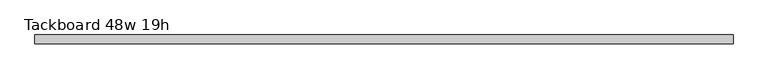
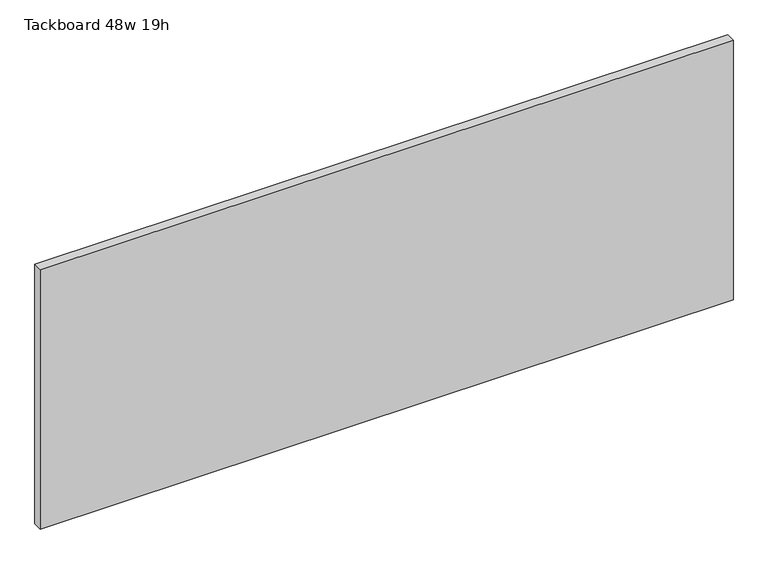
"""IFC4 building model written with IfcOpenShell, lengths in millimetres: furniture geometry, Tackboard 48w 19h."""

from ifc_helpers import new_model, si_unit, frame, origin, place, context, project, spatial, polyline, outline, extrude, source, transform, mapped, element, save


def tackboard_48w_19h_53f9688c(model_context):
    return source(origin(), model_context, "Body", "SweptSolid", [
        extrude(outline(polyline([(612.0402902, -28.8968594), (-607.1597098, -28.8968594), (-607.1597098, -13.0218594), (612.0402902, -13.0218594), (612.0402902, -28.8968594)])), frame((0.0, 0.0, 1066.8), z_axis=(0.0, 0.0, 1.0), x_axis=(1.0, 0.0, 0.0)), (0.0, 0.0, 1.0), 482.6),
    ])


if __name__ == "__main__":
    model = new_model("IFC4")
    model_context = context("Model", 3, world=origin())
    ifc_project = project(units=[si_unit("LENGTHUNIT", "METRE", prefix="MILLI")], contexts=[model_context])
    site = spatial("IfcSite", under=ifc_project)
    building = spatial("IfcBuilding", under=site)
    placement = place(None, origin())
    tackboard_48w_19h_shape = tackboard_48w_19h_53f9688c(model_context)
    element("IfcFurniture", 1, ObjectType="Tackboard 48w 19h", at=placement, inside=building, context=model_context, shape_type="MappedRepresentation", body=[
        mapped(tackboard_48w_19h_shape, transform((0.0, 0.0, 0.0), x_axis=(1.0, 0.0, 0.0), y_axis=(0.0, 1.0, 0.0), z_axis=(0.0, 0.0, 1.0))),
    ])
    save(model, "model.ifc")
